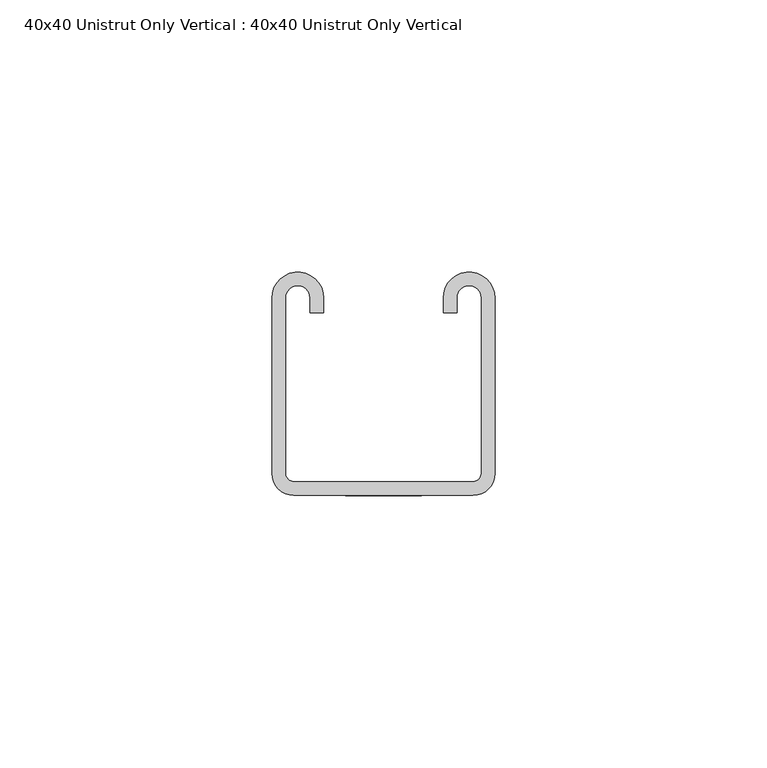
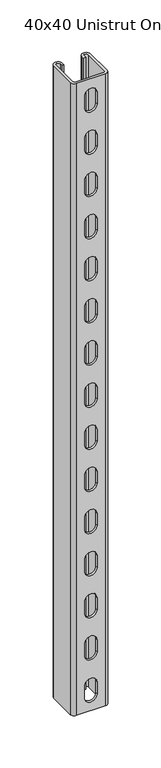
"""IFC4 building model written with IfcOpenShell, lengths in millimetres: proxy geometry, 40x40 Unistrut Only Vertical : 40x40 Unistrut Only Vertical."""

from ifc_helpers import new_model, si_unit, frame, origin, place, context, project, spatial, polyline, circle_curve, source, transform, mapped, element, save
from ifc_brep_helpers import plane_surface, cylinder_surface, revolved_surface, advanced_brep


def proxy_40x40_unistrut_only_vertical_40x40_unistrut_only_cfc73a73(model_context):
    return source(origin(), model_context, "Body", "AdvancedBrep", [
        advanced_brep(
        [(0.0, 36.25, 750.0), (0.0, 4.0, 750.0), (4.0, 0.0, 750.0), (37.0, 0.0, 750.0), (41.0, 4.0, 750.0), (41.0, 36.25, 750.0), (31.5, 36.25, 750.0), (31.5, 33.55, 750.0), (34.0, 33.55, 750.0), (34.0, 36.25, 750.0), (38.5, 36.25, 750.0), (38.5, 4.0, 750.0), (37.0, 2.5, 750.0), (4.0, 2.5, 750.0), (2.5, 4.0, 750.0), (2.5, 36.25, 750.0), (7.0, 36.25, 750.0), (7.0, 33.55, 750.0), (9.5, 33.55, 750.0), (9.5, 36.25, 750.0), (0.0, 36.25, 0.0), (9.5, 36.25, 0.0), (9.5, 33.55, 0.0), (7.0, 33.55, 0.0), (7.0, 36.25, 0.0), (2.5, 36.25, 0.0), (2.5, 4.0, 0.0), (4.0, 2.5, 0.0), (37.0, 2.5, 0.0), (38.5, 4.0, 0.0), (38.5, 36.25, 0.0), (34.0, 36.25, 0.0), (34.0, 33.55, 0.0), (31.5, 33.55, 0.0), (31.5, 36.25, 0.0), (41.0, 36.25, 0.0), (41.0, 4.0, 0.0), (37.0, 0.0, 0.0), (4.0, 0.0, 0.0), (0.0, 4.0, 0.0), (13.5, 0.0, 17.270575), (13.5, 0.0, 31.270575), (27.5, 0.0, 31.270575), (27.5, 0.0, 17.270575), (13.5, 0.0, 67.270575), (13.5, 0.0, 81.270575), (27.5, 0.0, 81.270575), (27.5, 0.0, 67.270575), (13.5, 0.0, 117.270575), (13.5, 0.0, 131.270575), (27.5, 0.0, 131.270575), (27.5, 0.0, 117.270575), (13.5, 0.0, 167.270575), (13.5, 0.0, 181.270575), (27.5, 0.0, 181.270575), (27.5, 0.0, 167.270575), (13.5, 0.0, 217.270575), (13.5, 0.0, 231.270575), (27.5, 0.0, 231.270575), (27.5, 0.0, 217.270575), (13.5, 0.0, 267.270575), (13.5, 0.0, 281.270575), (27.5, 0.0, 281.270575), (27.5, 0.0, 267.270575), (13.5, 0.0, 317.270575), (13.5, 0.0, 331.270575), (27.5, 0.0, 331.270575), (27.5, 0.0, 317.270575), (13.5, 0.0, 367.270575), (13.5, 0.0, 381.270575), (27.5, 0.0, 381.270575), (27.5, 0.0, 367.270575), (13.5, 0.0, 417.270575), (13.5, 0.0, 431.270575), (27.5, 0.0, 431.270575), (27.5, 0.0, 417.270575), (13.5, 0.0, 467.270575), (13.5, 0.0, 481.270575), (27.5, 0.0, 481.270575), (27.5, 0.0, 467.270575), (13.5, 0.0, 517.270575), (13.5, 0.0, 531.270575), (27.5, 0.0, 531.270575), (27.5, 0.0, 517.270575), (13.5, 0.0, 567.270575), (13.5, 0.0, 581.270575), (27.5, 0.0, 581.270575), (27.5, 0.0, 567.270575), (13.5, 0.0, 617.270575), (13.5, 0.0, 631.270575), (27.5, 0.0, 631.270575), (27.5, 0.0, 617.270575), (13.5, 0.0, 667.270575), (13.5, 0.0, 681.270575), (27.5, 0.0, 681.270575), (27.5, 0.0, 667.270575), (13.5, 0.0, 717.270575), (13.5, 0.0, 731.270575), (27.5, 0.0, 731.270575), (27.5, 0.0, 717.270575), (13.5, 2.5, 31.270575), (13.5, 2.5, 17.270575), (27.5, 2.5, 17.270575), (27.5, 2.5, 31.270575), (13.5, 2.5, 81.270575), (13.5, 2.5, 67.270575), (27.5, 2.5, 67.270575), (27.5, 2.5, 81.270575), (13.5, 2.5, 131.270575), (13.5, 2.5, 117.270575), (27.5, 2.5, 117.270575), (27.5, 2.5, 131.270575), (13.5, 2.5, 181.270575), (13.5, 2.5, 167.270575), (27.5, 2.5, 167.270575), (27.5, 2.5, 181.270575), (13.5, 2.5, 231.270575), (13.5, 2.5, 217.270575), (27.5, 2.5, 217.270575), (27.5, 2.5, 231.270575), (13.5, 2.5, 281.270575), (13.5, 2.5, 267.270575), (27.5, 2.5, 267.270575), (27.5, 2.5, 281.270575), (13.5, 2.5, 331.270575), (13.5, 2.5, 317.270575), (27.5, 2.5, 317.270575), (27.5, 2.5, 331.270575), (13.5, 2.5, 381.270575), (13.5, 2.5, 367.270575), (27.5, 2.5, 367.270575), (27.5, 2.5, 381.270575), (13.5, 2.5, 431.270575), (13.5, 2.5, 417.270575), (27.5, 2.5, 417.270575), (27.5, 2.5, 431.270575), (13.5, 2.5, 481.270575), (13.5, 2.5, 467.270575), (27.5, 2.5, 467.270575), (27.5, 2.5, 481.270575), (13.5, 2.5, 531.270575), (13.5, 2.5, 517.270575), (27.5, 2.5, 517.270575), (27.5, 2.5, 531.270575), (13.5, 2.5, 581.270575), (13.5, 2.5, 567.270575), (27.5, 2.5, 567.270575), (27.5, 2.5, 581.270575), (13.5, 2.5, 631.270575), (13.5, 2.5, 617.270575), (27.5, 2.5, 617.270575), (27.5, 2.5, 631.270575), (13.5, 2.5, 681.270575), (13.5, 2.5, 667.270575), (27.5, 2.5, 667.270575), (27.5, 2.5, 681.270575), (13.5, 2.5, 731.270575), (13.5, 2.5, 717.270575), (27.5, 2.5, 717.270575), (27.5, 2.5, 731.270575)],
        [
            (0, 1),
            (1, 2, circle_curve(frame((4.0, 4.0, 750.0), z_axis=(0.0, 0.0, 1.0), x_axis=(1.0, 0.0, 0.0)), 4.0)),
            (2, 3),
            (3, 4, circle_curve(frame((37.0, 4.0, 750.0), z_axis=(0.0, 0.0, 1.0), x_axis=(1.0, 0.0, 0.0)), 4.0)),
            (4, 5),
            (5, 6, circle_curve(frame((36.25, 36.25, 750.0), z_axis=(0.0, 0.0, 1.0), x_axis=(1.0, 0.0, 0.0)), 4.75)),
            (6, 7),
            (7, 8),
            (8, 9),
            (9, 10, circle_curve(frame((36.25, 36.25, 750.0), z_axis=(0.0, 0.0, -1.0), x_axis=(1.0, 0.0, 0.0)), 2.25)),
            (10, 11),
            (11, 12, circle_curve(frame((37.0, 4.0, 750.0), z_axis=(0.0, 0.0, -1.0), x_axis=(1.0, 0.0, 0.0)), 1.5)),
            (12, 13),
            (13, 14, circle_curve(frame((4.0, 4.0, 750.0), z_axis=(0.0, 0.0, -1.0), x_axis=(1.0, 0.0, 0.0)), 1.5)),
            (14, 15),
            (15, 16, circle_curve(frame((4.75, 36.25, 750.0), z_axis=(0.0, 0.0, -1.0), x_axis=(1.0, 0.0, 0.0)), 2.25)),
            (16, 17),
            (17, 18),
            (18, 19),
            (19, 0, circle_curve(frame((4.75, 36.25, 750.0), z_axis=(0.0, 0.0, 1.0), x_axis=(1.0, 0.0, 0.0)), 4.75)),
            (20, 21, circle_curve(frame((4.75, 36.25, 0.0), z_axis=(0.0, 0.0, -1.0), x_axis=(1.0, 0.0, 0.0)), 4.75)),
            (21, 22),
            (22, 23),
            (23, 24),
            (24, 25, circle_curve(frame((4.75, 36.25, 0.0), z_axis=(0.0, 0.0, 1.0), x_axis=(1.0, 0.0, 0.0)), 2.25)),
            (25, 26),
            (26, 27, circle_curve(frame((4.0, 4.0, 0.0), z_axis=(0.0, 0.0, 1.0), x_axis=(1.0, 0.0, 0.0)), 1.5)),
            (27, 28),
            (28, 29, circle_curve(frame((37.0, 4.0, 0.0), z_axis=(0.0, 0.0, 1.0), x_axis=(1.0, 0.0, 0.0)), 1.5)),
            (29, 30),
            (30, 31, circle_curve(frame((36.25, 36.25, 0.0), z_axis=(0.0, 0.0, 1.0), x_axis=(1.0, 0.0, 0.0)), 2.25)),
            (31, 32),
            (32, 33),
            (33, 34),
            (34, 35, circle_curve(frame((36.25, 36.25, 0.0), z_axis=(0.0, 0.0, -1.0), x_axis=(1.0, 0.0, 0.0)), 4.75)),
            (35, 36),
            (36, 37, circle_curve(frame((37.0, 4.0, 0.0), z_axis=(0.0, 0.0, -1.0), x_axis=(1.0, 0.0, 0.0)), 4.0)),
            (37, 38),
            (38, 39, circle_curve(frame((4.0, 4.0, 0.0), z_axis=(0.0, 0.0, -1.0), x_axis=(1.0, 0.0, 0.0)), 4.0)),
            (39, 20),
            (0, 20),
            (39, 1),
            (38, 2),
            (37, 3),
            (40, 41),
            (41, 42, circle_curve(frame((20.5, 0.0, 31.270575), z_axis=(0.0, 1.0, 0.0), x_axis=(1.0, 0.0, 0.0)), 7.0)),
            (42, 43),
            (43, 40, circle_curve(frame((20.5, 0.0, 17.270575), z_axis=(0.0, 1.0, 0.0), x_axis=(1.0, 0.0, 0.0)), 7.0)),
            (44, 45),
            (45, 46, circle_curve(frame((20.5, 0.0, 81.270575), z_axis=(0.0, 1.0, 0.0), x_axis=(1.0, 0.0, 0.0)), 7.0)),
            (46, 47),
            (47, 44, circle_curve(frame((20.5, 0.0, 67.270575), z_axis=(0.0, 1.0, 0.0), x_axis=(1.0, 0.0, 0.0)), 7.0)),
            (48, 49),
            (49, 50, circle_curve(frame((20.5, 0.0, 131.270575), z_axis=(0.0, 1.0, 0.0), x_axis=(1.0, 0.0, 0.0)), 7.0)),
            (50, 51),
            (51, 48, circle_curve(frame((20.5, 0.0, 117.270575), z_axis=(0.0, 1.0, 0.0), x_axis=(1.0, 0.0, 0.0)), 7.0)),
            (52, 53),
            (53, 54, circle_curve(frame((20.5, 0.0, 181.270575), z_axis=(0.0, 1.0, 0.0), x_axis=(1.0, 0.0, 0.0)), 7.0)),
            (54, 55),
            (55, 52, circle_curve(frame((20.5, 0.0, 167.270575), z_axis=(0.0, 1.0, 0.0), x_axis=(1.0, 0.0, 0.0)), 7.0)),
            (56, 57),
            (57, 58, circle_curve(frame((20.5, 0.0, 231.270575), z_axis=(0.0, 1.0, 0.0), x_axis=(1.0, 0.0, 0.0)), 7.0)),
            (58, 59),
            (59, 56, circle_curve(frame((20.5, 0.0, 217.270575), z_axis=(0.0, 1.0, 0.0), x_axis=(1.0, 0.0, 0.0)), 7.0)),
            (60, 61),
            (61, 62, circle_curve(frame((20.5, 0.0, 281.270575), z_axis=(0.0, 1.0, 0.0), x_axis=(1.0, 0.0, 0.0)), 7.0)),
            (62, 63),
            (63, 60, circle_curve(frame((20.5, 0.0, 267.270575), z_axis=(0.0, 1.0, 0.0), x_axis=(1.0, 0.0, 0.0)), 7.0)),
            (64, 65),
            (65, 66, circle_curve(frame((20.5, 0.0, 331.270575), z_axis=(0.0, 1.0, 0.0), x_axis=(1.0, 0.0, 0.0)), 7.0)),
            (66, 67),
            (67, 64, circle_curve(frame((20.5, 0.0, 317.270575), z_axis=(0.0, 1.0, 0.0), x_axis=(1.0, 0.0, 0.0)), 7.0)),
            (68, 69),
            (69, 70, circle_curve(frame((20.5, 0.0, 381.270575), z_axis=(0.0, 1.0, 0.0), x_axis=(1.0, 0.0, 0.0)), 7.0)),
            (70, 71),
            (71, 68, circle_curve(frame((20.5, 0.0, 367.270575), z_axis=(0.0, 1.0, 0.0), x_axis=(1.0, 0.0, 0.0)), 7.0)),
            (72, 73),
            (73, 74, circle_curve(frame((20.5, 0.0, 431.270575), z_axis=(0.0, 1.0, 0.0), x_axis=(1.0, 0.0, 0.0)), 7.0)),
            (74, 75),
            (75, 72, circle_curve(frame((20.5, 0.0, 417.270575), z_axis=(0.0, 1.0, 0.0), x_axis=(1.0, 0.0, 0.0)), 7.0)),
            (76, 77),
            (77, 78, circle_curve(frame((20.5, 0.0, 481.270575), z_axis=(0.0, 1.0, 0.0), x_axis=(1.0, 0.0, 0.0)), 7.0)),
            (78, 79),
            (79, 76, circle_curve(frame((20.5, 0.0, 467.270575), z_axis=(0.0, 1.0, 0.0), x_axis=(1.0, 0.0, 0.0)), 7.0)),
            (80, 81),
            (81, 82, circle_curve(frame((20.5, 0.0, 531.270575), z_axis=(0.0, 1.0, 0.0), x_axis=(1.0, 0.0, 0.0)), 7.0)),
            (82, 83),
            (83, 80, circle_curve(frame((20.5, 0.0, 517.270575), z_axis=(0.0, 1.0, 0.0), x_axis=(1.0, 0.0, 0.0)), 7.0)),
            (84, 85),
            (85, 86, circle_curve(frame((20.5, 0.0, 581.270575), z_axis=(0.0, 1.0, 0.0), x_axis=(1.0, 0.0, 0.0)), 7.0)),
            (86, 87),
            (87, 84, circle_curve(frame((20.5, 0.0, 567.270575), z_axis=(0.0, 1.0, 0.0), x_axis=(1.0, 0.0, 0.0)), 7.0)),
            (88, 89),
            (89, 90, circle_curve(frame((20.5, 0.0, 631.270575), z_axis=(0.0, 1.0, 0.0), x_axis=(1.0, 0.0, 0.0)), 7.0)),
            (90, 91),
            (91, 88, circle_curve(frame((20.5, 0.0, 617.270575), z_axis=(0.0, 1.0, 0.0), x_axis=(1.0, 0.0, 0.0)), 7.0)),
            (92, 93),
            (93, 94, circle_curve(frame((20.5, 0.0, 681.270575), z_axis=(0.0, 1.0, 0.0), x_axis=(1.0, 0.0, 0.0)), 7.0)),
            (94, 95),
            (95, 92, circle_curve(frame((20.5, 0.0, 667.270575), z_axis=(0.0, 1.0, 0.0), x_axis=(1.0, 0.0, 0.0)), 7.0)),
            (96, 97),
            (97, 98, circle_curve(frame((20.5, 0.0, 731.270575), z_axis=(0.0, 1.0, 0.0), x_axis=(1.0, 0.0, 0.0)), 7.0)),
            (98, 99),
            (99, 96, circle_curve(frame((20.5, 0.0, 717.270575), z_axis=(0.0, 1.0, 0.0), x_axis=(1.0, 0.0, 0.0)), 7.0)),
            (36, 4),
            (35, 5),
            (34, 6),
            (33, 7),
            (32, 8),
            (31, 9),
            (30, 10),
            (29, 11),
            (28, 12),
            (27, 13),
            (100, 101),
            (101, 102, circle_curve(frame((20.5, 2.5, 17.270575), z_axis=(0.0, -1.0, 0.0), x_axis=(1.0, 0.0, 0.0)), 7.0)),
            (102, 103),
            (103, 100, circle_curve(frame((20.5, 2.5, 31.270575), z_axis=(0.0, -1.0, 0.0), x_axis=(1.0, 0.0, 0.0)), 7.0)),
            (104, 105),
            (105, 106, circle_curve(frame((20.5, 2.5, 67.270575), z_axis=(0.0, -1.0, 0.0), x_axis=(1.0, 0.0, 0.0)), 7.0)),
            (106, 107),
            (107, 104, circle_curve(frame((20.5, 2.5, 81.270575), z_axis=(0.0, -1.0, 0.0), x_axis=(1.0, 0.0, 0.0)), 7.0)),
            (108, 109),
            (109, 110, circle_curve(frame((20.5, 2.5, 117.270575), z_axis=(0.0, -1.0, 0.0), x_axis=(1.0, 0.0, 0.0)), 7.0)),
            (110, 111),
            (111, 108, circle_curve(frame((20.5, 2.5, 131.270575), z_axis=(0.0, -1.0, 0.0), x_axis=(1.0, 0.0, 0.0)), 7.0)),
            (112, 113),
            (113, 114, circle_curve(frame((20.5, 2.5, 167.270575), z_axis=(0.0, -1.0, 0.0), x_axis=(1.0, 0.0, 0.0)), 7.0)),
            (114, 115),
            (115, 112, circle_curve(frame((20.5, 2.5, 181.270575), z_axis=(0.0, -1.0, 0.0), x_axis=(1.0, 0.0, 0.0)), 7.0)),
            (116, 117),
            (117, 118, circle_curve(frame((20.5, 2.5, 217.270575), z_axis=(0.0, -1.0, 0.0), x_axis=(1.0, 0.0, 0.0)), 7.0)),
            (118, 119),
            (119, 116, circle_curve(frame((20.5, 2.5, 231.270575), z_axis=(0.0, -1.0, 0.0), x_axis=(1.0, 0.0, 0.0)), 7.0)),
            (120, 121),
            (121, 122, circle_curve(frame((20.5, 2.5, 267.270575), z_axis=(0.0, -1.0, 0.0), x_axis=(1.0, 0.0, 0.0)), 7.0)),
            (122, 123),
            (123, 120, circle_curve(frame((20.5, 2.5, 281.270575), z_axis=(0.0, -1.0, 0.0), x_axis=(1.0, 0.0, 0.0)), 7.0)),
            (124, 125),
            (125, 126, circle_curve(frame((20.5, 2.5, 317.270575), z_axis=(0.0, -1.0, 0.0), x_axis=(1.0, 0.0, 0.0)), 7.0)),
            (126, 127),
            (127, 124, circle_curve(frame((20.5, 2.5, 331.270575), z_axis=(0.0, -1.0, 0.0), x_axis=(1.0, 0.0, 0.0)), 7.0)),
            (128, 129),
            (129, 130, circle_curve(frame((20.5, 2.5, 367.270575), z_axis=(0.0, -1.0, 0.0), x_axis=(1.0, 0.0, 0.0)), 7.0)),
            (130, 131),
            (131, 128, circle_curve(frame((20.5, 2.5, 381.270575), z_axis=(0.0, -1.0, 0.0), x_axis=(1.0, 0.0, 0.0)), 7.0)),
            (132, 133),
            (133, 134, circle_curve(frame((20.5, 2.5, 417.270575), z_axis=(0.0, -1.0, 0.0), x_axis=(1.0, 0.0, 0.0)), 7.0)),
            (134, 135),
            (135, 132, circle_curve(frame((20.5, 2.5, 431.270575), z_axis=(0.0, -1.0, 0.0), x_axis=(1.0, 0.0, 0.0)), 7.0)),
            (136, 137),
            (137, 138, circle_curve(frame((20.5, 2.5, 467.270575), z_axis=(0.0, -1.0, 0.0), x_axis=(1.0, 0.0, 0.0)), 7.0)),
            (138, 139),
            (139, 136, circle_curve(frame((20.5, 2.5, 481.270575), z_axis=(0.0, -1.0, 0.0), x_axis=(1.0, 0.0, 0.0)), 7.0)),
            (140, 141),
            (141, 142, circle_curve(frame((20.5, 2.5, 517.270575), z_axis=(0.0, -1.0, 0.0), x_axis=(1.0, 0.0, 0.0)), 7.0)),
            (142, 143),
            (143, 140, circle_curve(frame((20.5, 2.5, 531.270575), z_axis=(0.0, -1.0, 0.0), x_axis=(1.0, 0.0, 0.0)), 7.0)),
            (144, 145),
            (145, 146, circle_curve(frame((20.5, 2.5, 567.270575), z_axis=(0.0, -1.0, 0.0), x_axis=(1.0, 0.0, 0.0)), 7.0)),
            (146, 147),
            (147, 144, circle_curve(frame((20.5, 2.5, 581.270575), z_axis=(0.0, -1.0, 0.0), x_axis=(1.0, 0.0, 0.0)), 7.0)),
            (148, 149),
            (149, 150, circle_curve(frame((20.5, 2.5, 617.270575), z_axis=(0.0, -1.0, 0.0), x_axis=(1.0, 0.0, 0.0)), 7.0)),
            (150, 151),
            (151, 148, circle_curve(frame((20.5, 2.5, 631.270575), z_axis=(0.0, -1.0, 0.0), x_axis=(1.0, 0.0, 0.0)), 7.0)),
            (152, 153),
            (153, 154, circle_curve(frame((20.5, 2.5, 667.270575), z_axis=(0.0, -1.0, 0.0), x_axis=(1.0, 0.0, 0.0)), 7.0)),
            (154, 155),
            (155, 152, circle_curve(frame((20.5, 2.5, 681.270575), z_axis=(0.0, -1.0, 0.0), x_axis=(1.0, 0.0, 0.0)), 7.0)),
            (156, 157),
            (157, 158, circle_curve(frame((20.5, 2.5, 717.270575), z_axis=(0.0, -1.0, 0.0), x_axis=(1.0, 0.0, 0.0)), 7.0)),
            (158, 159),
            (159, 156, circle_curve(frame((20.5, 2.5, 731.270575), z_axis=(0.0, -1.0, 0.0), x_axis=(1.0, 0.0, 0.0)), 7.0)),
            (26, 14),
            (25, 15),
            (24, 16),
            (23, 17),
            (22, 18),
            (21, 19),
            (40, 101),
            (100, 41),
            (42, 103),
            (102, 43),
            (44, 105),
            (104, 45),
            (46, 107),
            (106, 47),
            (48, 109),
            (108, 49),
            (50, 111),
            (110, 51),
            (52, 113),
            (112, 53),
            (54, 115),
            (114, 55),
            (56, 117),
            (116, 57),
            (58, 119),
            (118, 59),
            (60, 121),
            (120, 61),
            (62, 123),
            (122, 63),
            (64, 125),
            (124, 65),
            (66, 127),
            (126, 67),
            (68, 129),
            (128, 69),
            (70, 131),
            (130, 71),
            (72, 133),
            (132, 73),
            (74, 135),
            (134, 75),
            (76, 137),
            (136, 77),
            (78, 139),
            (138, 79),
            (80, 141),
            (140, 81),
            (82, 143),
            (142, 83),
            (84, 145),
            (144, 85),
            (86, 147),
            (146, 87),
            (88, 149),
            (148, 89),
            (90, 151),
            (150, 91),
            (92, 153),
            (152, 93),
            (94, 155),
            (154, 95),
            (96, 157),
            (156, 97),
            (98, 159),
            (158, 99),
        ],
        [
            plane_surface(frame((0.0, 480.0, 750.0), z_axis=(0.0, 0.0, 1.0), x_axis=(0.0, -1.0, 0.0))),
            plane_surface(frame((0.0, 480.0, 0.0), z_axis=(0.0, 0.0, -1.0), x_axis=(0.0, 1.0, 0.0))),
            plane_surface(frame((0.0, 36.25, 750.0), z_axis=(-1.0, 0.0, 0.0), x_axis=(0.0, 0.0, -1.0))),
            cylinder_surface(frame((4.0, 4.0, 0.0), z_axis=(0.0, 0.0, 1.0), x_axis=(1.0, 0.0, 0.0)), 4.0),
            plane_surface(frame((4.0, 0.0, 750.0), z_axis=(0.0, -1.0, 0.0), x_axis=(0.0, 0.0, -1.0))),
            cylinder_surface(frame((37.0, 4.0, 0.0), z_axis=(0.0, 0.0, 1.0), x_axis=(1.0, 0.0, 0.0)), 4.0),
            plane_surface(frame((41.0, 4.0, 750.0), z_axis=(1.0, 0.0, 0.0), x_axis=(0.0, 0.0, -1.0))),
            cylinder_surface(frame((36.25, 36.25, 0.0), z_axis=(0.0, 0.0, 1.0), x_axis=(1.0, 0.0, 0.0)), 4.75),
            plane_surface(frame((31.5, 36.25, 750.0), z_axis=(-1.0, 0.0, 0.0), x_axis=(0.0, 0.0, -1.0))),
            plane_surface(frame((31.5, 33.55, 750.0), z_axis=(0.0, -1.0, 0.0), x_axis=(0.0, 0.0, -1.0))),
            plane_surface(frame((34.0, 33.55, 750.0), z_axis=(1.0, 0.0, 0.0), x_axis=(0.0, 0.0, -1.0))),
            revolved_surface(polyline([(38.5, 36.25, 0.0), (38.5, 36.25, 750.0)]), (36.25, 36.25, 0.0), (0.0, 0.0, -1.0)),
            plane_surface(frame((38.5, 36.25, 750.0), z_axis=(-1.0, 0.0, 0.0), x_axis=(0.0, 0.0, -1.0))),
            revolved_surface(polyline([(38.5, 4.0, 0.0), (38.5, 4.0, 750.0)]), (37.0, 4.0, 0.0), (0.0, 0.0, -1.0)),
            plane_surface(frame((37.0, 2.5, 750.0), z_axis=(0.0, 1.0, 0.0), x_axis=(0.0, 0.0, -1.0))),
            revolved_surface(polyline([(5.5, 4.0, 0.0), (5.5, 4.0, 750.0)]), (4.0, 4.0, 0.0), (0.0, 0.0, -1.0)),
            plane_surface(frame((2.5, 4.0, 750.0), z_axis=(1.0, 0.0, 0.0), x_axis=(0.0, 0.0, -1.0))),
            revolved_surface(polyline([(7.0, 36.25, 0.0), (7.0, 36.25, 750.0)]), (4.75, 36.25, 0.0), (0.0, 0.0, -1.0)),
            plane_surface(frame((7.0, 36.25, 750.0), z_axis=(-1.0, 0.0, 0.0), x_axis=(0.0, 0.0, -1.0))),
            plane_surface(frame((7.0, 33.55, 750.0), z_axis=(0.0, -1.0, 0.0), x_axis=(0.0, 0.0, -1.0))),
            plane_surface(frame((9.5, 33.55, 750.0), z_axis=(1.0, 0.0, 0.0), x_axis=(0.0, 0.0, -1.0))),
            cylinder_surface(frame((4.75, 36.25, 0.0), z_axis=(0.0, 0.0, 1.0), x_axis=(1.0, 0.0, 0.0)), 4.75),
            plane_surface(frame((13.5, 0.0, 31.270575), z_axis=(1.0, 0.0, 0.0), x_axis=(0.0, 1.0, 0.0))),
            plane_surface(frame((27.5, 0.0, 17.270575), z_axis=(-1.0, 0.0, 0.0), x_axis=(0.0, 1.0, 0.0))),
            revolved_surface(polyline([(27.5, 0.0, 31.270575), (27.5, 2.5, 31.270575)]), (20.5, 2.5, 31.270575), (0.0, -1.0, 0.0)),
            revolved_surface(polyline([(27.5, 0.0, 17.270575), (27.5, 2.5, 17.270575)]), (20.5, 2.5, 17.270575), (0.0, -1.0, 0.0)),
            plane_surface(frame((13.5, 0.0, 81.270575), z_axis=(1.0, 0.0, 0.0), x_axis=(0.0, 1.0, 0.0))),
            plane_surface(frame((27.5, 0.0, 67.270575), z_axis=(-1.0, 0.0, 0.0), x_axis=(0.0, 1.0, 0.0))),
            revolved_surface(polyline([(27.5, 0.0, 81.270575), (27.5, 2.5, 81.270575)]), (20.5, 2.5, 81.270575), (0.0, -1.0, 0.0)),
            revolved_surface(polyline([(27.5, 0.0, 67.270575), (27.5, 2.5, 67.270575)]), (20.5, 2.5, 67.270575), (0.0, -1.0, 0.0)),
            plane_surface(frame((13.5, 0.0, 131.270575), z_axis=(1.0, 0.0, 0.0), x_axis=(0.0, 1.0, 0.0))),
            plane_surface(frame((27.5, 0.0, 117.270575), z_axis=(-1.0, 0.0, 0.0), x_axis=(0.0, 1.0, 0.0))),
            revolved_surface(polyline([(27.5, 0.0, 131.270575), (27.5, 2.5, 131.270575)]), (20.5, 2.5, 131.270575), (0.0, -1.0, 0.0)),
            revolved_surface(polyline([(27.5, 0.0, 117.270575), (27.5, 2.5, 117.270575)]), (20.5, 2.5, 117.270575), (0.0, -1.0, 0.0)),
            plane_surface(frame((13.5, 0.0, 181.270575), z_axis=(1.0, 0.0, 0.0), x_axis=(0.0, 1.0, 0.0))),
            plane_surface(frame((27.5, 0.0, 167.270575), z_axis=(-1.0, 0.0, 0.0), x_axis=(0.0, 1.0, 0.0))),
            revolved_surface(polyline([(27.5, 0.0, 181.270575), (27.5, 2.5, 181.270575)]), (20.5, 2.5, 181.270575), (0.0, -1.0, 0.0)),
            revolved_surface(polyline([(27.5, 0.0, 167.270575), (27.5, 2.5, 167.270575)]), (20.5, 2.5, 167.270575), (0.0, -1.0, 0.0)),
            plane_surface(frame((13.5, 0.0, 231.270575), z_axis=(1.0, 0.0, 0.0), x_axis=(0.0, 1.0, 0.0))),
            plane_surface(frame((27.5, 0.0, 217.270575), z_axis=(-1.0, 0.0, 0.0), x_axis=(0.0, 1.0, 0.0))),
            revolved_surface(polyline([(27.5, 0.0, 231.270575), (27.5, 2.5, 231.270575)]), (20.5, 2.5, 231.270575), (0.0, -1.0, 0.0)),
            revolved_surface(polyline([(27.5, 0.0, 217.270575), (27.5, 2.5, 217.270575)]), (20.5, 2.5, 217.270575), (0.0, -1.0, 0.0)),
            plane_surface(frame((13.5, 0.0, 281.270575), z_axis=(1.0, 0.0, 0.0), x_axis=(0.0, 1.0, 0.0))),
            plane_surface(frame((27.5, 0.0, 267.270575), z_axis=(-1.0, 0.0, 0.0), x_axis=(0.0, 1.0, 0.0))),
            revolved_surface(polyline([(27.5, 0.0, 281.270575), (27.5, 2.5, 281.270575)]), (20.5, 2.5, 281.270575), (0.0, -1.0, 0.0)),
            revolved_surface(polyline([(27.5, 0.0, 267.270575), (27.5, 2.5, 267.270575)]), (20.5, 2.5, 267.270575), (0.0, -1.0, 0.0)),
            plane_surface(frame((13.5, 0.0, 331.270575), z_axis=(1.0, 0.0, 0.0), x_axis=(0.0, 1.0, 0.0))),
            plane_surface(frame((27.5, 0.0, 317.270575), z_axis=(-1.0, 0.0, 0.0), x_axis=(0.0, 1.0, 0.0))),
            revolved_surface(polyline([(27.5, 0.0, 331.270575), (27.5, 2.5, 331.270575)]), (20.5, 2.5, 331.270575), (0.0, -1.0, 0.0)),
            revolved_surface(polyline([(27.5, 0.0, 317.270575), (27.5, 2.5, 317.270575)]), (20.5, 2.5, 317.270575), (0.0, -1.0, 0.0)),
            plane_surface(frame((13.5, 0.0, 381.270575), z_axis=(1.0, 0.0, 0.0), x_axis=(0.0, 1.0, 0.0))),
            plane_surface(frame((27.5, 0.0, 367.270575), z_axis=(-1.0, 0.0, 0.0), x_axis=(0.0, 1.0, 0.0))),
            revolved_surface(polyline([(27.5, 0.0, 381.270575), (27.5, 2.5, 381.270575)]), (20.5, 2.5, 381.270575), (0.0, -1.0, 0.0)),
            revolved_surface(polyline([(27.5, 0.0, 367.270575), (27.5, 2.5, 367.270575)]), (20.5, 2.5, 367.270575), (0.0, -1.0, 0.0)),
            plane_surface(frame((13.5, 0.0, 431.270575), z_axis=(1.0, 0.0, 0.0), x_axis=(0.0, 1.0, 0.0))),
            plane_surface(frame((27.5, 0.0, 417.270575), z_axis=(-1.0, 0.0, 0.0), x_axis=(0.0, 1.0, 0.0))),
            revolved_surface(polyline([(27.5, 0.0, 431.270575), (27.5, 2.5, 431.270575)]), (20.5, 2.5, 431.270575), (0.0, -1.0, 0.0)),
            revolved_surface(polyline([(27.5, 0.0, 417.270575), (27.5, 2.5, 417.270575)]), (20.5, 2.5, 417.270575), (0.0, -1.0, 0.0)),
            plane_surface(frame((13.5, 0.0, 481.270575), z_axis=(1.0, 0.0, 0.0), x_axis=(0.0, 1.0, 0.0))),
            plane_surface(frame((27.5, 0.0, 467.270575), z_axis=(-1.0, 0.0, 0.0), x_axis=(0.0, 1.0, 0.0))),
            revolved_surface(polyline([(27.5, 0.0, 481.270575), (27.5, 2.5, 481.270575)]), (20.5, 2.5, 481.270575), (0.0, -1.0, 0.0)),
            revolved_surface(polyline([(27.5, 0.0, 467.270575), (27.5, 2.5, 467.270575)]), (20.5, 2.5, 467.270575), (0.0, -1.0, 0.0)),
            plane_surface(frame((13.5, 0.0, 531.270575), z_axis=(1.0, 0.0, 0.0), x_axis=(0.0, 1.0, 0.0))),
            plane_surface(frame((27.5, 0.0, 517.270575), z_axis=(-1.0, 0.0, 0.0), x_axis=(0.0, 1.0, 0.0))),
            revolved_surface(polyline([(27.5, 0.0, 531.270575), (27.5, 2.5, 531.270575)]), (20.5, 2.5, 531.270575), (0.0, -1.0, 0.0)),
            revolved_surface(polyline([(27.5, 0.0, 517.270575), (27.5, 2.5, 517.270575)]), (20.5, 2.5, 517.270575), (0.0, -1.0, 0.0)),
            plane_surface(frame((13.5, 0.0, 581.270575), z_axis=(1.0, 0.0, 0.0), x_axis=(0.0, 1.0, 0.0))),
            plane_surface(frame((27.5, 0.0, 567.270575), z_axis=(-1.0, 0.0, 0.0), x_axis=(0.0, 1.0, 0.0))),
            revolved_surface(polyline([(27.5, 0.0, 581.270575), (27.5, 2.5, 581.270575)]), (20.5, 2.5, 581.270575), (0.0, -1.0, 0.0)),
            revolved_surface(polyline([(27.5, 0.0, 567.270575), (27.5, 2.5, 567.270575)]), (20.5, 2.5, 567.270575), (0.0, -1.0, 0.0)),
            plane_surface(frame((13.5, 0.0, 631.270575), z_axis=(1.0, 0.0, 0.0), x_axis=(0.0, 1.0, 0.0))),
            plane_surface(frame((27.5, 0.0, 617.270575), z_axis=(-1.0, 0.0, 0.0), x_axis=(0.0, 1.0, 0.0))),
            revolved_surface(polyline([(27.5, 0.0, 631.270575), (27.5, 2.5, 631.270575)]), (20.5, 2.5, 631.270575), (0.0, -1.0, 0.0)),
            revolved_surface(polyline([(27.5, 0.0, 617.270575), (27.5, 2.5, 617.270575)]), (20.5, 2.5, 617.270575), (0.0, -1.0, 0.0)),
            plane_surface(frame((13.5, 0.0, 681.270575), z_axis=(1.0, 0.0, 0.0), x_axis=(0.0, 1.0, 0.0))),
            plane_surface(frame((27.5, 0.0, 667.270575), z_axis=(-1.0, 0.0, 0.0), x_axis=(0.0, 1.0, 0.0))),
            revolved_surface(polyline([(27.5, 0.0, 681.270575), (27.5, 2.5, 681.270575)]), (20.5, 2.5, 681.270575), (0.0, -1.0, 0.0)),
            revolved_surface(polyline([(27.5, 0.0, 667.270575), (27.5, 2.5, 667.270575)]), (20.5, 2.5, 667.270575), (0.0, -1.0, 0.0)),
            plane_surface(frame((13.5, 0.0, 731.270575), z_axis=(1.0, 0.0, 0.0), x_axis=(0.0, 1.0, 0.0))),
            plane_surface(frame((27.5, 0.0, 717.270575), z_axis=(-1.0, 0.0, 0.0), x_axis=(0.0, 1.0, 0.0))),
            revolved_surface(polyline([(27.5, 0.0, 731.270575), (27.5, 2.5, 731.270575)]), (20.5, 2.5, 731.270575), (0.0, -1.0, 0.0)),
            revolved_surface(polyline([(27.5, 0.0, 717.270575), (27.5, 2.5, 717.270575)]), (20.5, 2.5, 717.270575), (0.0, -1.0, 0.0)),
        ],
        [
            (0, [[1, 2, 3, 4, 5, 6, 7, 8, 9, 10, 11, 12, 13, 14, 15, 16, 17, 18, 19, 20]]),
            (1, [[21, 22, 23, 24, 25, 26, 27, 28, 29, 30, 31, 32, 33, 34, 35, 36, 37, 38, 39, 40]]),
            (2, [[-1, 41, -40, 42]]),
            (3, [[-2, -42, -39, 43]]),
            (4, [[-3, -43, -38, 44], [45, 46, 47, 48], [49, 50, 51, 52], [53, 54, 55, 56], [57, 58, 59, 60], [61, 62, 63, 64], [65, 66, 67, 68], [69, 70, 71, 72], [73, 74, 75, 76], [77, 78, 79, 80], [81, 82, 83, 84], [85, 86, 87, 88], [89, 90, 91, 92], [93, 94, 95, 96], [97, 98, 99, 100], [101, 102, 103, 104]]),
            (5, [[-4, -44, -37, 105]]),
            (6, [[-5, -105, -36, 106]]),
            (7, [[-6, -106, -35, 107]]),
            (8, [[-7, -107, -34, 108]]),
            (9, [[-8, -108, -33, 109]]),
            (10, [[-9, -109, -32, 110]]),
            (11, [[-10, -110, -31, 111]]),
            (12, [[-11, -111, -30, 112]]),
            (13, [[-12, -112, -29, 113]]),
            (14, [[-13, -113, -28, 114], [115, 116, 117, 118], [119, 120, 121, 122], [123, 124, 125, 126], [127, 128, 129, 130], [131, 132, 133, 134], [135, 136, 137, 138], [139, 140, 141, 142], [143, 144, 145, 146], [147, 148, 149, 150], [151, 152, 153, 154], [155, 156, 157, 158], [159, 160, 161, 162], [163, 164, 165, 166], [167, 168, 169, 170], [171, 172, 173, 174]]),
            (15, [[-14, -114, -27, 175]]),
            (16, [[-15, -175, -26, 176]]),
            (17, [[-16, -176, -25, 177]]),
            (18, [[-17, -177, -24, 178]]),
            (19, [[-18, -178, -23, 179]]),
            (20, [[-19, -179, -22, 180]]),
            (21, [[-20, -180, -21, -41]]),
            (22, [[181, -115, 182, -45]]),
            (23, [[183, -117, 184, -47]]),
            (24, [[-182, -118, -183, -46]]),
            (25, [[-181, -48, -184, -116]]),
            (26, [[185, -119, 186, -49]]),
            (27, [[187, -121, 188, -51]]),
            (28, [[-186, -122, -187, -50]]),
            (29, [[-185, -52, -188, -120]]),
            (30, [[189, -123, 190, -53]]),
            (31, [[191, -125, 192, -55]]),
            (32, [[-190, -126, -191, -54]]),
            (33, [[-189, -56, -192, -124]]),
            (34, [[193, -127, 194, -57]]),
            (35, [[195, -129, 196, -59]]),
            (36, [[-194, -130, -195, -58]]),
            (37, [[-193, -60, -196, -128]]),
            (38, [[197, -131, 198, -61]]),
            (39, [[199, -133, 200, -63]]),
            (40, [[-198, -134, -199, -62]]),
            (41, [[-197, -64, -200, -132]]),
            (42, [[201, -135, 202, -65]]),
            (43, [[203, -137, 204, -67]]),
            (44, [[-202, -138, -203, -66]]),
            (45, [[-201, -68, -204, -136]]),
            (46, [[205, -139, 206, -69]]),
            (47, [[207, -141, 208, -71]]),
            (48, [[-206, -142, -207, -70]]),
            (49, [[-205, -72, -208, -140]]),
            (50, [[209, -143, 210, -73]]),
            (51, [[211, -145, 212, -75]]),
            (52, [[-210, -146, -211, -74]]),
            (53, [[-209, -76, -212, -144]]),
            (54, [[213, -147, 214, -77]]),
            (55, [[215, -149, 216, -79]]),
            (56, [[-214, -150, -215, -78]]),
            (57, [[-213, -80, -216, -148]]),
            (58, [[217, -151, 218, -81]]),
            (59, [[219, -153, 220, -83]]),
            (60, [[-218, -154, -219, -82]]),
            (61, [[-217, -84, -220, -152]]),
            (62, [[221, -155, 222, -85]]),
            (63, [[223, -157, 224, -87]]),
            (64, [[-222, -158, -223, -86]]),
            (65, [[-221, -88, -224, -156]]),
            (66, [[225, -159, 226, -89]]),
            (67, [[227, -161, 228, -91]]),
            (68, [[-226, -162, -227, -90]]),
            (69, [[-225, -92, -228, -160]]),
            (70, [[229, -163, 230, -93]]),
            (71, [[231, -165, 232, -95]]),
            (72, [[-230, -166, -231, -94]]),
            (73, [[-229, -96, -232, -164]]),
            (74, [[233, -167, 234, -97]]),
            (75, [[235, -169, 236, -99]]),
            (76, [[-234, -170, -235, -98]]),
            (77, [[-233, -100, -236, -168]]),
            (78, [[237, -171, 238, -101]]),
            (79, [[239, -173, 240, -103]]),
            (80, [[-238, -174, -239, -102]]),
            (81, [[-237, -104, -240, -172]]),
        ],
    ),
    ])


if __name__ == "__main__":
    model = new_model("IFC4")
    model_context = context("Model", 3, world=origin())
    ifc_project = project(units=[si_unit("LENGTHUNIT", "METRE", prefix="MILLI")], contexts=[model_context])
    site = spatial("IfcSite", under=ifc_project)
    building = spatial("IfcBuilding", under=site)
    placement = place(None, origin())
    proxy_40x40_unistrut_only_vertical_40x40_unistrut_only_shape = proxy_40x40_unistrut_only_vertical_40x40_unistrut_only_cfc73a73(model_context)
    element("IfcBuildingElementProxy", 1, Name="40x40 Unistrut Only Vertical : 40x40 Unistrut Only Vertical", ObjectType="40x40 Unistrut Only Vertical : 40x40 Unistrut Only Vertical", at=placement, inside=building, context=model_context, shape_type="MappedRepresentation", body=[
        mapped(proxy_40x40_unistrut_only_vertical_40x40_unistrut_only_shape, transform((0.0, 0.0, 0.0), x_axis=(1.0, 0.0, 0.0), y_axis=(0.0, 1.0, 0.0), z_axis=(0.0, 0.0, 1.0))),
    ])
    save(model, "model.ifc")
